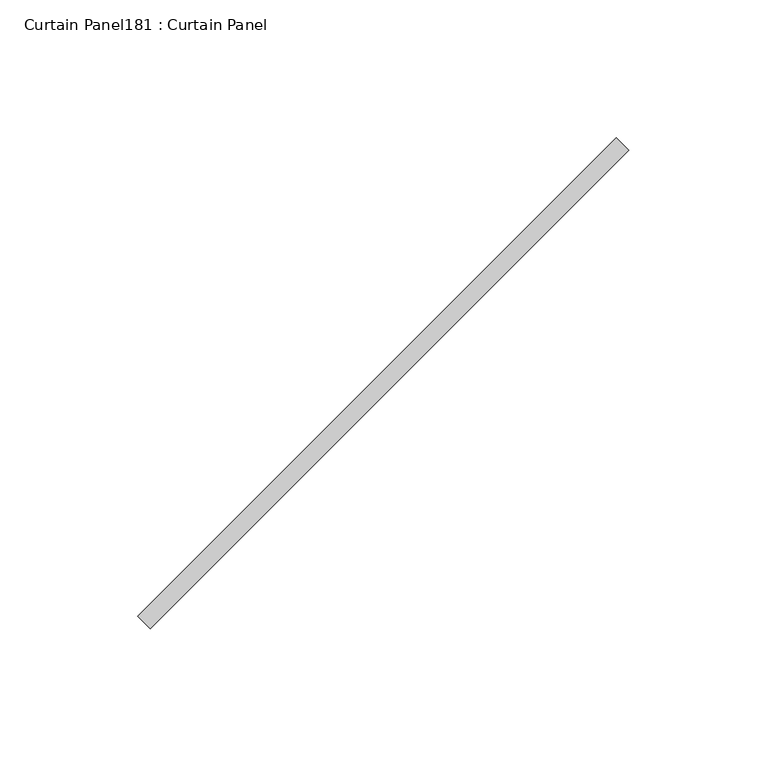
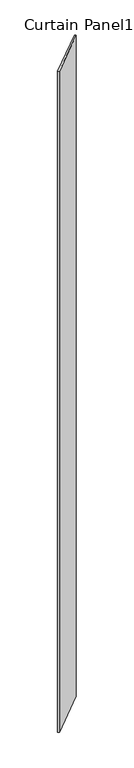
"""IFC4 building model written with IfcOpenShell, lengths in millimetres: plate geometry, Curtain Panel181 : Curtain Panel."""

from ifc_helpers import new_model, si_unit, frame, origin, place, context, project, spatial, polyline, outline, extrude, source, transform, mapped, element, save


def curtain_panel181_curtain_panel_905e909a(model_context):
    return source(origin(), model_context, "Body", "SweptSolid", [
        extrude(outline(polyline([(586823.656534, 2648.8086215), (586649.9907106, 2475.1427981), (586645.5005825, 2479.6329261), (586819.166406, 2653.2987496), (586823.656534, 2648.8086215)])), frame((0.0, 0.0, 4959.7989371), z_axis=(0.0, 0.0, 1.0), x_axis=(1.0, 0.0, 0.0)), (0.0, 0.0, 1.0), 3048.0),
    ])


if __name__ == "__main__":
    model = new_model("IFC4")
    model_context = context("Model", 3, world=origin())
    ifc_project = project(units=[si_unit("LENGTHUNIT", "METRE", prefix="MILLI")], contexts=[model_context])
    site = spatial("IfcSite", under=ifc_project)
    building = spatial("IfcBuilding", under=site)
    placement = place(None, origin())
    curtain_panel181_curtain_panel_shape = curtain_panel181_curtain_panel_905e909a(model_context)
    element("IfcPlate", 1, ObjectType="Curtain Panel181 : Curtain Panel", at=placement, inside=building, context=model_context, shape_type="MappedRepresentation", body=[
        mapped(curtain_panel181_curtain_panel_shape, transform((0.0, 0.0, 0.0), x_axis=(1.0, 0.0, 0.0), y_axis=(0.0, 1.0, 0.0), z_axis=(0.0, 0.0, 1.0))),
    ])
    save(model, "model.ifc")
